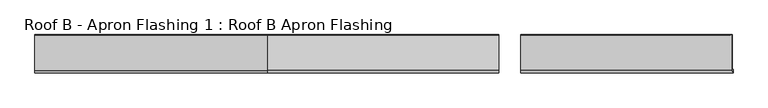
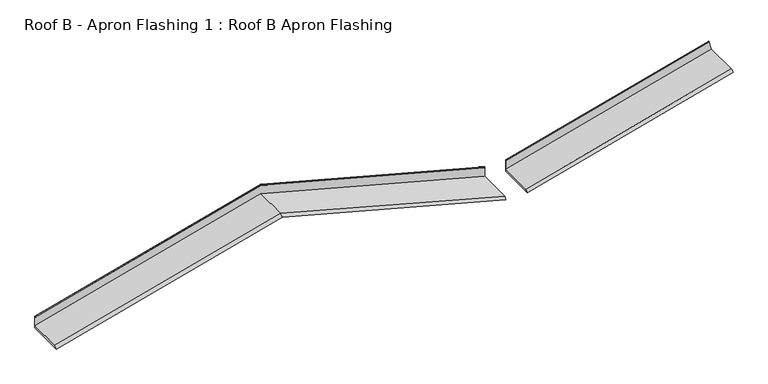
"""IFC4 building model written with IfcOpenShell, lengths in millimetres: proxy geometry, Roof B - Apron Flashing 1 : Roof B Apron Flashing."""

from ifc_helpers import new_model, si_unit, frame, origin, place, context, project, spatial, circle_curve, ellipse_curve, source, transform, mapped, element, save
from ifc_brep_helpers import plane_surface, cylinder_surface, advanced_brep


def roof_b_apron_flashing_1_roof_b_apron_flashing_2543da4a(model_context):
    return source(origin(), model_context, "Body", "AdvancedBrep", [
        advanced_brep(
        [(7217.9826273, -488.4050751, 3936.6815328), (7224.9707415, -515.4050751, 3910.6015355), (7224.9707415, -477.4175022, 3910.6015355), (7218.2382213, -477.4175022, 3935.7276429), (7218.2382213, -85.5, 3935.7276429), (7189.8139585, -85.5, 4041.808436), (7189.7201206, -86.7239884, 4042.1586439), (7191.2306039, -90.5139698, 4036.5214433), (7191.3715669, -89.6752992, 4035.9953624), (7190.1060629, -86.5, 4040.7182876), (7217.9826273, -86.5, 3936.6815328), (4837.292347, -488.4050751, 3298.7774948), (4837.292347, -515.4050751, 3270.8250379), (4837.292347, -85.5, 3270.8250379), (4898.525907, -85.5, 3287.2325209), (4898.525907, -477.4175022, 3287.2325209), (4837.292347, -85.5, 3411.4521701), (4898.525907, -85.5, 3314.1626016), (4837.292347, -86.7239884, 3411.8275217), (4837.292347, -90.5139698, 3405.7855883), (4837.292347, -86.5, 3410.2837525), (4837.292347, -86.5, 3298.7774948), (4837.292347, -89.6752992, 3405.2217365), (4898.525907, -477.4175022, 3314.1626016)],
        [
            (0, 1),
            (1, 2),
            (2, 3),
            (3, 4),
            (4, 5),
            (5, 6, circle_curve(frame((7189.8139585, -86.1656921, 4041.808436), z_axis=(0.9659258262890694, 0.0, 0.2588190451025169), x_axis=(-0.2588190451025169, 0.0, 0.9659258262890694)), 0.6656921)),
            (6, 7),
            (7, 8, circle_curve(frame((7191.3010854, -90.0946345, 4036.2584028), z_axis=(0.9659258262890694, 0.0, 0.2588190451025169), x_axis=(-0.2588190451025169, 0.0, 0.9659258262890694)), 0.5)),
            (8, 9),
            (9, 10),
            (10, 0),
            (0, 11),
            (11, 12),
            (12, 1),
            (12, 13),
            (13, 14),
            (14, 15),
            (15, 2),
            (16, 5),
            (4, 17),
            (17, 14),
            (13, 16),
            (6, 18),
            (18, 19),
            (19, 7),
            (9, 20),
            (20, 21),
            (21, 10),
            (21, 11),
            (16, 18, ellipse_curve(frame((4837.292347, -86.1656921, 3411.4521701), z_axis=(1.0, 0.0, 0.0), x_axis=(0.0, 0.0, 1.0)), 0.6891751, 0.6656921)),
            (19, 22, ellipse_curve(frame((4837.292347, -90.0946345, 3405.5036624), z_axis=(1.0, 0.0, 0.0), x_axis=(0.0, 0.0, 1.0)), 0.5176381, 0.5)),
            (22, 8),
            (22, 20),
            (15, 23),
            (23, 3),
            (23, 17),
        ],
        [
            plane_surface(frame((7245.7256649, -95.0, 3833.1431071), z_axis=(0.9659258262890694, 0.0, 0.2588190451025169), x_axis=(0.0, 1.0, 0.0))),
            plane_surface(frame((7217.9826273, -488.4050751, 3936.6815328), z_axis=(-0.18301270189221663, -0.7071067811865478, 0.6830127018922197), x_axis=(-0.9659258262890693, 0.0, -0.258819045102517))),
            plane_surface(frame((7224.9707415, -515.4050751, 3910.6015355), z_axis=(0.2588190451025171, 0.0, -0.9659258262890693), x_axis=(-0.9659258262890693, 0.0, -0.2588190451025171))),
            plane_surface(frame((7224.9707415, -85.5, 3910.6015355), z_axis=(0.0, 1.0, 0.0), x_axis=(-0.9659258262890693, 0.0, -0.2588190451025171))),
            plane_surface(frame((7189.7201206, -86.7239884, 4042.1586439), z_axis=(-0.1409629549681465, -0.8386705679454222, 0.5260809099261744), x_axis=(-0.9659258262890693, 0.0, -0.25881904510251713))),
            plane_surface(frame((7190.1060629, -86.5, 4040.7182876), z_axis=(0.0, -1.0, 0.0), x_axis=(-0.9659258262890693, 0.0, -0.258819045102517))),
            plane_surface(frame((7217.9826273, -86.5, 3936.6815328), z_axis=(-0.2588190451025169, 0.0, 0.9659258262890694), x_axis=(-0.9659258262890694, 0.0, -0.2588190451025169))),
            cylinder_surface(frame((7189.8139585, -86.1656921, 4041.808436), z_axis=(0.9659258262890694, 0.0, 0.2588190451025169), x_axis=(-0.2588190451025169, 0.0, 0.9659258262890694)), 0.6656921),
            cylinder_surface(frame((7191.3010854, -90.0946345, 4036.2584028), z_axis=(0.9659258262890694, 0.0, 0.2588190451025169), x_axis=(-0.2588190451025169, 0.0, 0.9659258262890694)), 0.5),
            plane_surface(frame((7191.3715669, -89.6752992, 4035.9953624), z_axis=(0.1409629549681444, 0.8386705679454272, -0.5260809099261671), x_axis=(-0.9659258262890694, 0.0, -0.2588190451025169))),
            plane_surface(frame((4837.292347, -2797.9584858, 3660.9894786), z_axis=(-1.0, 0.0, 0.0), x_axis=(0.0, 0.0, -1.0))),
            plane_surface(frame((4898.525907, -477.4175022, 3214.1626016), z_axis=(0.0, 1.0, 0.0), x_axis=(1.0, 0.0, 0.0))),
            plane_surface(frame((7613.525907, -477.4175022, 4041.6446591), z_axis=(0.25881904510251846, 0.0, -0.965925826289069), x_axis=(0.0, 1.0, 0.0))),
            plane_surface(frame((4898.525907, -477.4175022, 3314.1626016), z_axis=(1.0, 0.0, 0.0), x_axis=(0.0, 1.0, 0.0))),
        ],
        [
            (0, [[1, 2, 3, 4, 5, 6, 7, 8, 9, 10, 11]]),
            (1, [[-1, 12, 13, 14]]),
            (2, [[-14, 15, 16, 17, 18, -2]]),
            (3, [[19, -5, 20, 21, -16, 22]]),
            (4, [[-7, 23, 24, 25]]),
            (5, [[-10, 26, 27, 28]]),
            (6, [[-11, -28, 29, -12]]),
            (7, [[-6, -19, 30, -23]]),
            (8, [[-8, -25, 31, 32]]),
            (9, [[-9, -32, 33, -26]]),
            (10, [[-13, -29, -27, -33, -31, -24, -30, -22, -15]]),
            (11, [[34, 35, -3, -18]]),
            (12, [[-35, 36, -20, -4]]),
            (13, [[-34, -17, -21, -36]]),
        ],
    ),
        advanced_brep(
        [(2000.0, -488.4050751, 3993.4914166), (2000.0, -515.4050751, 3965.5389597), (4592.292347, -515.4050751, 3270.9363188), (4592.292347, -488.4050751, 3298.8887757), (2000.0, -85.5, 3965.5389597), (4592.292347, -85.5, 3270.9363188), (2000.0, -86.7239884, 4106.5414436), (2000.0, -90.5139698, 4100.4995101), (4592.292347, -90.5139698, 3405.8968692), (4592.292347, -86.7239884, 3411.9388026), (2000.0, -86.5, 3993.4914166), (4592.292347, -86.5, 3298.8887757), (-617.8589424, -515.4050751, 3264.0857702), (-617.8589424, -85.5, 3264.0857702), (-617.8589424, -86.7239884, 3405.0882541), (-617.8589424, -90.5139698, 3399.0463206), (-617.8589424, -86.5, 3292.0382271), (-617.8589424, -488.4050751, 3292.0382271), (-617.8589424, -85.5, 3404.7129024), (2000.0, -85.5, 4106.1660919), (4592.292347, -85.5, 3411.563451), (4592.292347, -86.5, 3410.3950334), (2000.0, -86.5, 4104.9976743), (-617.8589424, -86.5, 3403.5444848), (2000.0, -89.6752992, 4099.9356583), (4592.292347, -89.6752992, 3405.3330174), (-617.8589424, -89.6752992, 3398.4824688)],
        [
            (0, 1),
            (1, 2),
            (2, 3),
            (3, 0),
            (1, 4),
            (4, 5),
            (5, 2),
            (6, 7),
            (7, 8),
            (8, 9),
            (9, 6),
            (10, 0),
            (3, 11),
            (11, 10),
            (1, 12),
            (12, 13),
            (13, 4),
            (6, 14),
            (14, 15),
            (15, 7),
            (10, 16),
            (16, 17),
            (17, 0),
            (13, 18),
            (18, 19),
            (19, 20),
            (20, 5),
            (11, 21),
            (21, 22),
            (22, 23),
            (23, 16),
            (19, 6, ellipse_curve(frame((2000.0, -86.1656921, 4106.1660919), z_axis=(1.0, 0.0, 0.0), x_axis=(0.0, 0.0, -1.0)), 0.6891751, 0.6656921)),
            (9, 20, ellipse_curve(frame((4592.292347, -86.1656921, 3411.563451), z_axis=(-1.0, 0.0, 0.0), x_axis=(0.0, 0.0, -1.0)), 0.6891751, 0.6656921)),
            (7, 24, ellipse_curve(frame((2000.0, -90.0946345, 4100.2175842), z_axis=(1.0, 0.0, 0.0), x_axis=(0.0, 0.0, -1.0)), 0.5176381, 0.5)),
            (24, 25),
            (25, 8, ellipse_curve(frame((4592.292347, -90.0946345, 3405.6149433), z_axis=(-1.0, 0.0, 0.0), x_axis=(0.0, 0.0, -1.0)), 0.5176381, 0.5)),
            (24, 22),
            (21, 25),
            (18, 14, ellipse_curve(frame((-617.8589424, -86.1656921, 3404.7129024), z_axis=(1.0, 0.0, 0.0), x_axis=(0.0, 0.0, 1.0)), 0.6891751, 0.6656921)),
            (15, 26, ellipse_curve(frame((-617.8589424, -90.0946345, 3398.7643947), z_axis=(1.0, 0.0, 0.0), x_axis=(0.0, 0.0, 1.0)), 0.5176381, 0.5)),
            (26, 24),
            (26, 23),
            (17, 12),
        ],
        [
            plane_surface(frame((4715.0, -488.4050751, 3266.0093592), z_axis=(0.18301270189221883, -0.7071067811865478, 0.6830127018922193), x_axis=(-0.9659258262890684, 0.0, 0.2588190451025201))),
            plane_surface(frame((4715.0, -515.4050751, 3238.0569023), z_axis=(-0.2588190451025201, 0.0, -0.9659258262890684), x_axis=(-0.9659258262890684, 0.0, 0.2588190451025201))),
            plane_surface(frame((4715.0, -86.7239884, 3379.0593861), z_axis=(0.14096295496814815, -0.838670567945422, 0.5260809099261741), x_axis=(-0.9659258262890685, 0.0, 0.2588190451025201))),
            plane_surface(frame((4715.0, -86.5, 3266.0093592), z_axis=(0.2588190451025201, 0.0, 0.9659258262890684), x_axis=(-0.9659258262890684, 0.0, 0.2588190451025201))),
            plane_surface(frame((2000.0, -515.4050751, 3965.5389597), z_axis=(0.25881904510251996, 0.0, -0.9659258262890685), x_axis=(-0.9659258262890685, 0.0, -0.25881904510251996))),
            plane_surface(frame((2000.0, -86.7239884, 4106.5414436), z_axis=(-0.1409629549681481, -0.8386705679454222, 0.526080909926174), x_axis=(-0.9659258262890685, 0.0, -0.25881904510252))),
            plane_surface(frame((2000.0, -86.5, 3993.4914166), z_axis=(-0.2588190451025201, 0.0, 0.9659258262890684), x_axis=(-0.9659258262890684, 0.0, -0.2588190451025201))),
            plane_surface(frame((7224.9707415, -85.5, 3910.6015355), z_axis=(0.0, 1.0, 0.0), x_axis=(-0.9659258262890693, 0.0, -0.2588190451025171))),
            plane_surface(frame((7190.1060629, -86.5, 4040.7182876), z_axis=(0.0, -1.0, 0.0), x_axis=(-0.9659258262890693, 0.0, -0.258819045102517))),
            cylinder_surface(frame((4770.9117064, -86.1656921, 3363.7025379), z_axis=(0.9659258262890684, 0.0, -0.2588190451025201), x_axis=(0.2588190451025201, 0.0, 0.9659258262890684)), 0.6656921),
            cylinder_surface(frame((4769.4245795, -90.0946345, 3358.1525047), z_axis=(0.9659258262890684, 0.0, -0.2588190451025201), x_axis=(0.2588190451025201, 0.0, 0.9659258262890684)), 0.5),
            plane_surface(frame((4715.0, -89.6752992, 3372.4536009), z_axis=(-0.14096295496814612, 0.8386705679454273, -0.5260809099261665), x_axis=(-0.9659258262890685, 0.0, 0.2588190451025201))),
            cylinder_surface(frame((1944.0882936, -86.1656921, 4091.1845953), z_axis=(0.9659258262890684, 0.0, 0.2588190451025201), x_axis=(-0.2588190451025201, 0.0, 0.9659258262890684)), 0.6656921),
            cylinder_surface(frame((1945.5754205, -90.0946345, 4085.6345621), z_axis=(0.9659258262890684, 0.0, 0.2588190451025201), x_axis=(-0.2588190451025201, 0.0, 0.9659258262890684)), 0.5),
            plane_surface(frame((2000.0, -89.6752992, 4099.9356583), z_axis=(0.1409629549681462, 0.838670567945427, -0.5260809099261665), x_axis=(-0.9659258262890684, 0.0, -0.25881904510252024))),
            plane_surface(frame((2000.0, -488.4050751, 3993.4914166), z_axis=(-0.18301270189221863, -0.7071067811865479, 0.6830127018922192), x_axis=(-0.9659258262890685, 0.0, -0.2588190451025199))),
            plane_surface(frame((4592.292347, -60.5629082, 3660.9894786), z_axis=(1.0, 0.0, 0.0), x_axis=(0.0, 0.0, -1.0))),
            plane_surface(frame((-617.8589424, -760.5629082, 3739.5229882), z_axis=(-1.0, 0.0, 0.0), x_axis=(0.0, 0.0, -1.0))),
        ],
        [
            (0, [[1, 2, 3, 4]]),
            (1, [[5, 6, 7, -2]]),
            (2, [[8, 9, 10, 11]]),
            (3, [[12, -4, 13, 14]]),
            (4, [[-5, 15, 16, 17]]),
            (5, [[-8, 18, 19, 20]]),
            (6, [[-12, 21, 22, 23]]),
            (7, [[-6, -17, 24, 25, 26, 27]]),
            (8, [[-14, 28, 29, 30, 31, -21]]),
            (9, [[32, -11, 33, -26]]),
            (10, [[34, 35, 36, -9]]),
            (11, [[37, -29, 38, -35]]),
            (12, [[-32, -25, 39, -18]]),
            (13, [[-34, -20, 40, 41]]),
            (14, [[-37, -41, 42, -30]]),
            (15, [[-1, -23, 43, -15]]),
            (16, [[-3, -7, -27, -33, -10, -36, -38, -28, -13]]),
            (17, [[-16, -43, -22, -31, -42, -40, -19, -39, -24]]),
        ],
    ),
    ])


if __name__ == "__main__":
    model = new_model("IFC4")
    model_context = context("Model", 3, world=origin())
    ifc_project = project(units=[si_unit("LENGTHUNIT", "METRE", prefix="MILLI")], contexts=[model_context])
    site = spatial("IfcSite", under=ifc_project)
    building = spatial("IfcBuilding", under=site)
    placement = place(None, origin())
    roof_b_apron_flashing_1_roof_b_apron_flashing_shape = roof_b_apron_flashing_1_roof_b_apron_flashing_2543da4a(model_context)
    element("IfcBuildingElementProxy", 1, Name="Roof B - Apron Flashing 1 : Roof B Apron Flashing", ObjectType="Roof B - Apron Flashing 1 : Roof B Apron Flashing", at=placement, inside=building, context=model_context, shape_type="MappedRepresentation", body=[
        mapped(roof_b_apron_flashing_1_roof_b_apron_flashing_shape, transform((0.0, 0.0, 0.0), x_axis=(1.0, 0.0, 0.0), y_axis=(0.0, 1.0, 0.0), z_axis=(0.0, 0.0, 1.0))),
    ])
    save(model, "model.ifc")
